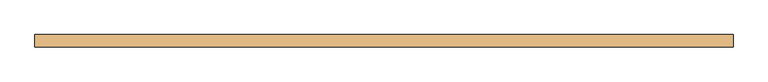
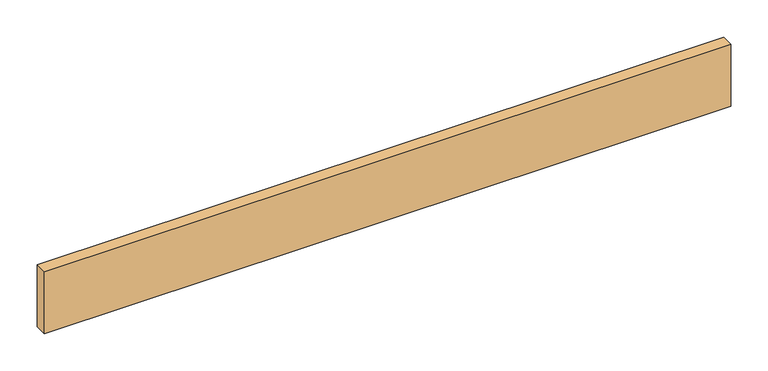
"""IFC4 building model written with IfcOpenShell, lengths in millimetres: door geometry."""

import ifcopenshell
import ifcopenshell.guid

model = None  # the IFC model being written
_history = None  # IfcOwnerHistory: only IFC2X3 demands one
_inside = {}  # id of a spatial element -> (the spatial element, [elements in it])
_under = {}  # id of a project, library or spatial element -> (it, [spatial elements below it])
_declared = {}  # id of a project -> (the project, [libraries it declares])
_typed = {}  # id of a type object -> (the type object, [elements of that type])
_made_of = {}  # id of a material, layer set ... -> (it, [elements and type objects made of it])


def new_model(schema):
    """Start an empty IFC model of exactly this schema.

    Asked for "IFC4X3", IfcOpenShell would pick the latest addendum, in which some entities
    have other attributes; the version numbers below select the first issue.
    IFC2X3 requires an IfcOwnerHistory on every rooted entity: one is made here for all.
    """
    global model, _history
    if schema == "IFC4X3":
        model = ifcopenshell.file(schema_version=(4, 3, 0, 0))
    else:
        model = ifcopenshell.file(schema=schema)
    _inside.clear()
    _under.clear()
    _declared.clear()
    _typed.clear()
    _made_of.clear()
    _history = None
    if model.schema == "IFC2X3":
        org = make("IfcOrganization", Name="unknown")
        user = make(
            "IfcPersonAndOrganization",
            ThePerson=make("IfcPerson", FamilyName="unknown"),
            TheOrganization=org,
        )
        app = make(
            "IfcApplication",
            ApplicationDeveloper=org,
            Version="unknown",
            ApplicationFullName="unknown",
            ApplicationIdentifier="unknown",
        )
        _history = make(
            "IfcOwnerHistory",
            OwningUser=user,
            OwningApplication=app,
            ChangeAction="ADDED",
            CreationDate=0,
        )
    return model


def make(cls, **values):
    """One entity of the class cls with the attributes given. An attribute that is None is left unset."""
    return model.create_entity(
        cls, **{name: value for name, value in values.items() if value is not None}
    )


def rooted(cls, **values):
    """An entity with a GlobalId (a new one), such as an element, a storey or a relation."""
    return make(cls, GlobalId=ifcopenshell.guid.new(), OwnerHistory=_history, **values)


def si_unit(unit_type, name, prefix=None):
    """IfcSIUnit, for example si_unit("LENGTHUNIT", "METRE", prefix="MILLI")."""
    return make("IfcSIUnit", UnitType=unit_type, Prefix=prefix, Name=name)


def assignment(units):
    """IfcUnitAssignment: the units of a project."""
    return None if units is None else make("IfcUnitAssignment", Units=units)


def point(xyz):
    """IfcCartesianPoint."""
    return None if xyz is None else make("IfcCartesianPoint", Coordinates=xyz)


def direction(xyz):
    """IfcDirection."""
    return None if xyz is None else make("IfcDirection", DirectionRatios=xyz)


def frame(location, z_axis=None, x_axis=None):
    """IfcAxis2Placement3D, a coordinate frame: its origin and axes. An axis left out is left unset."""
    return make(
        "IfcAxis2Placement3D",
        Location=point(location),
        Axis=direction(z_axis),
        RefDirection=direction(x_axis),
    )


def origin():
    """The frame at (0, 0, 0) with its axes left unset."""
    return frame((0.0, 0.0, 0.0))


def origin_with_axes():
    """The frame at (0, 0, 0) with the z axis (0, 0, 1) and the x axis (1, 0, 0) written out."""
    return frame((0.0, 0.0, 0.0), z_axis=(0.0, 0.0, 1.0), x_axis=(1.0, 0.0, 0.0))


def place(relative_to, where):
    """IfcLocalPlacement: puts the frame where relative to a parent placement (None: the world)."""
    return make(
        "IfcLocalPlacement", PlacementRelTo=relative_to, RelativePlacement=where
    )


def context(
    kind, dimensions, precision=None, world=None, true_north=None, identifier=None
):
    """IfcGeometricRepresentationContext, for example the 3D "Model" context."""
    return make(
        "IfcGeometricRepresentationContext",
        ContextIdentifier=identifier,
        ContextType=kind,
        CoordinateSpaceDimension=dimensions,
        Precision=precision,
        WorldCoordinateSystem=world,
        TrueNorth=true_north,
    )


def project(units=None, contexts=None):
    """IfcProject with its units and contexts."""
    return rooted(
        "IfcProject",
        Name="project",
        RepresentationContexts=contexts,
        UnitsInContext=assignment(units),
    )


def spatial(cls, under=None, at=None, **own):
    """A site, building, storey or space (cls), placed at a placement, below another one or the project."""
    s = rooted(cls, ObjectPlacement=at, **own)
    if under is not None:
        _under.setdefault(under.id(), (under, []))[1].append(s)
    return s


def polyline(points):
    """IfcPolyline through the points."""
    return make("IfcPolyline", Points=[point(p) for p in points])


def outline(outer, holes=None, kind="AREA"):
    """IfcArbitraryClosedProfileDef: a profile drawn as a closed curve; with holes, ...WithVoids."""
    if holes is None:
        return make("IfcArbitraryClosedProfileDef", ProfileType=kind, OuterCurve=outer)
    return make(
        "IfcArbitraryProfileDefWithVoids",
        ProfileType=kind,
        OuterCurve=outer,
        InnerCurves=holes,
    )


def extrude(swept, where, along, depth):
    """IfcExtrudedAreaSolid: the profile swept, set in the frame where, extruded along a direction by depth."""
    return make(
        "IfcExtrudedAreaSolid",
        SweptArea=swept,
        Position=where,
        ExtrudedDirection=direction(along),
        Depth=depth,
    )


def shape(context_of_items, identifier, shape_type, items):
    """IfcShapeRepresentation: the items that make up one representation, for example the "Body"."""
    return make(
        "IfcShapeRepresentation",
        ContextOfItems=context_of_items,
        RepresentationIdentifier=identifier,
        RepresentationType=shape_type,
        Items=items,
    )


def source(mapping_origin, context_of_items, identifier, shape_type, items):
    """IfcRepresentationMap: a shape defined once, which mapped items show again and again."""
    return make(
        "IfcRepresentationMap",
        MappingOrigin=mapping_origin,
        MappedRepresentation=shape(context_of_items, identifier, shape_type, items),
    )


def transform(
    local_origin,
    x_axis=None,
    y_axis=None,
    z_axis=None,
    scale=None,
    scale2=None,
    scale3=None,
    uniform=True,
):
    """IfcCartesianTransformationOperator3D, or its non-uniform kind. x_axis, y_axis, z_axis: its Axis1, 2, 3."""
    if uniform:
        return make(
            "IfcCartesianTransformationOperator3D",
            Axis1=direction(x_axis),
            Axis2=direction(y_axis),
            LocalOrigin=point(local_origin),
            Scale=scale,
            Axis3=direction(z_axis),
        )
    return make(
        "IfcCartesianTransformationOperator3DnonUniform",
        Axis1=direction(x_axis),
        Axis2=direction(y_axis),
        LocalOrigin=point(local_origin),
        Scale=scale,
        Axis3=direction(z_axis),
        Scale2=scale2,
        Scale3=scale3,
    )


def mapped(mapping_source, mapping_target):
    """IfcMappedItem: shows the shape of a source again, moved by a transform."""
    return make(
        "IfcMappedItem", MappingSource=mapping_source, MappingTarget=mapping_target
    )


def made_of(thing, what):
    """Note that an element or type object is made of a material, layer set ...; save() writes the relation."""
    if what is not None:
        _made_of.setdefault(what.id(), (what, []))[1].append(thing)
    return thing


def element(
    cls,
    number,
    at=None,
    inside=None,
    cuts=None,
    type_object=None,
    material=None,
    context=None,
    identifier="Body",
    shape_type=None,
    held_by="IfcProductDefinitionShape",
    body=None,
    shapes=None,
    **own,
):
    """One element of the class cls, such as IfcWall. Its Tag is "e" and its number.

    at: its placement. inside: the storey or other place that contains it. cuts: it is an
    opening in that element (IfcRelVoidsElement). A single representation is given by context,
    identifier, shape_type and body (its items); several are given by shapes. held_by: the class
    of the entity that holds the representations. save() writes the other relations.
    """
    e = rooted(cls, Tag="e%d" % number, ObjectPlacement=at, **own)
    if body is not None:
        shapes = [shape(context, identifier, shape_type, body)]
    if shapes is not None:
        e.Representation = make(held_by, Representations=shapes)
    if inside is not None:
        _inside.setdefault(inside.id(), (inside, []))[1].append(e)
    if cuts is not None:
        rooted(
            "IfcRelVoidsElement", RelatingBuildingElement=cuts, RelatedOpeningElement=e
        )
    if type_object is not None:
        _typed.setdefault(type_object.id(), (type_object, []))[1].append(e)
    return made_of(e, material)


def aggregate(whole, parts):
    """IfcRelAggregates: a whole, such as a stair, and the parts it consists of."""
    return rooted("IfcRelAggregates", RelatingObject=whole, RelatedObjects=parts)


def save(model, path):
    """Write the relations noted so far, then the file.

    IfcRelAggregates (storeys below a building ...), IfcRelContainedInSpatialStructure (elements
    in a storey), IfcRelDefinesByType, IfcRelAssociatesMaterial and IfcRelDeclares: one each for
    every whole, place, type object, material and project.
    """
    for whole, parts in _under.values():
        aggregate(whole, parts)
    for where, things in _inside.values():
        rooted(
            "IfcRelContainedInSpatialStructure",
            RelatedElements=things,
            RelatingStructure=where,
        )
    for kind, things in _typed.values():
        rooted("IfcRelDefinesByType", RelatedObjects=things, RelatingType=kind)
    for what, things in _made_of.values():
        rooted("IfcRelAssociatesMaterial", RelatedObjects=things, RelatingMaterial=what)
    for by, libraries in _declared.values():
        rooted("IfcRelDeclares", RelatingContext=by, RelatedDefinitions=libraries)
    model.write(path)


def door_6c136d0a(model_context):
    return source(origin(), model_context, "Body", "SweptSolid", [
        extrude(outline(polyline([(531.3172, 0.0), (531.3172, -19.05), (-531.3172, -19.05), (-531.3172, 0.0), (531.3172, 0.0)])), origin_with_axes(), (0.0, 0.0, 1.0), 101.6),
    ])


if __name__ == "__main__":
    model = new_model("IFC4")
    model_context = context("Model", 3, world=origin())
    ifc_project = project(units=[si_unit("LENGTHUNIT", "METRE", prefix="MILLI")], contexts=[model_context])
    site = spatial("IfcSite", under=ifc_project)
    building = spatial("IfcBuilding", under=site)
    placement = place(None, origin())
    door_shape = door_6c136d0a(model_context)
    element("IfcDoor", 1, at=placement, inside=building, context=model_context, shape_type="MappedRepresentation", body=[
        mapped(door_shape, transform((0.0, 0.0, 0.0), x_axis=(1.0, 0.0, 0.0), y_axis=(0.0, 1.0, 0.0), z_axis=(0.0, 0.0, 1.0))),
    ])
    save(model, "model.ifc")
